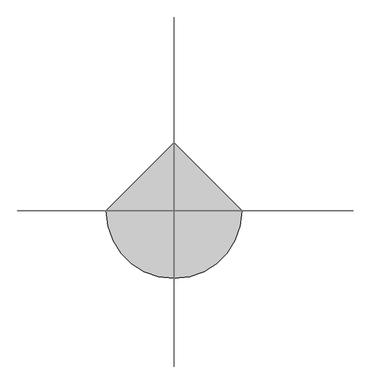
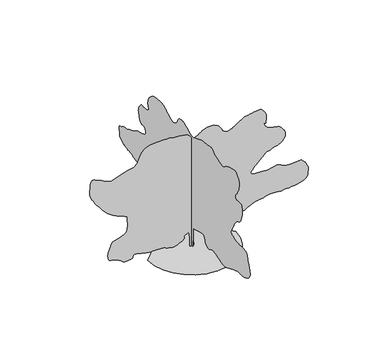
"""IFC4 building model written with IfcOpenShell, lengths in millimetres: geographic element geometry."""

from ifc_helpers import new_model, si_unit, origin, place, context, project, spatial, triangles, source, transform, mapped, element, save


def geographic_element_65e3464d(model_context):
    return source(origin(), model_context, "Body", "Tessellation", [
        triangles([(0.0321152, 48.5607305, 0.0034119), (0.0321152, -50.059231, 0.0034119), (0.0321152, -56.2224767, 326.6823853), (0.0321152, -56.2224767, 468.4473149), (0.0321152, -179.4974376, 505.4297959), (0.0321152, -382.8998477, 573.2297636), (0.0321152, -481.5198092, 585.5572815), (0.0321152, -493.3798047, 574.9372902), (0.0321152, -505.0798173, 563.9947895), (0.0321152, -516.4548134, 552.4022922), (0.0321152, -527.34481, 539.842303), (0.0321152, -537.5872808, 525.9872984), (0.0321152, -547.022279, 510.5148053), (0.0321152, -555.4847712, 493.1023144), (0.0321152, -561.4697619, 475.007307), (0.0321152, -564.8647945, 457.7723125), (0.0321152, -567.614772, 441.509824), (0.0321152, -571.6572578, 426.3248497), (0.0321152, -578.9372641, 412.3273393), (0.0321152, -591.3897743, 399.6223372), (0.0321152, -610.9597281, 388.3173586), (0.0321152, -633.9972754, 377.894848), (0.0321152, -655.6322193, 368.3348574), (0.0321152, -675.9747276, 360.4998705), (0.0321152, -695.1297358, 355.2548781), (0.0321152, -713.2071934, 353.4573498), (0.0321152, -730.3171955, 355.9723489), (0.0321152, -746.5597361, 363.6648663), (0.0321152, -762.949724, 373.6898357), (0.0321152, -780.3097109, 382.7473497), (0.0321152, -798.4772066, 390.9973549), (0.0321152, -817.2921919, 398.597327), (0.0321152, -836.5897058, 405.7148432), (0.0321152, -856.2146708, 412.5073428), (0.0321152, -875.999655, 419.1373524), (0.0321152, -993.1095852, 400.6448401), (0.0321152, -1024.8096125, 390.0973372), (0.0321152, -1056.5095671, 379.6573494), (0.0321152, -1088.2070509, 369.4323558), (0.0321152, -1119.9070782, 359.5298716), (0.0321152, -1151.6070328, 350.0598464), (0.0321152, -1183.3045166, 341.1298682), (0.0321152, -1215.0045439, 332.8448725), (0.0321152, -1247.7819763, 324.7573574), (0.0321152, -1282.4994793, 317.2098893), (0.0321152, -1318.8344707, 311.4973746), (0.0321152, -1356.4644413, 308.9098872), (0.0321152, -1395.0644108, 310.7423698), (0.0321152, -1434.3118698, 318.2898743), (0.0321152, -1473.8819836, 332.8448725), (0.0321152, -1769.7418316, 456.1198334), (0.0321152, -1791.6092468, 465.9673064), (0.0321152, -1811.1067486, 474.5198004), (0.0321152, -1830.3892925, 481.9973236), (0.0321152, -1851.6118343, 488.6098197), (0.0321152, -1876.9318005, 494.5747899), (0.0321152, -1908.5067627, 500.1098082), (0.0321152, -1948.4892059, 505.4297959), (0.0321152, -1993.2716469, 509.077284), (0.0321152, -2037.2967213, 510.4597941), (0.0321152, -2079.8141842, 511.0898066), (0.0321152, -2120.0666691, 512.4747874), (0.0321152, -2157.3016056, 516.1223119), (0.0321152, -2190.7616272, 523.5422805), (0.0321152, -2219.6916927, 536.2472826), (0.0321152, -2247.0266521, 550.8047879), (0.0321152, -2275.3291397, 563.6347824), (0.0321152, -2303.3066471, 576.0347886), (0.0321152, -2329.6691368, 589.2947714), (0.0321152, -2353.1216297, 604.7147604), (0.0321152, -2372.3665306, 623.5822861), (0.0321152, -2386.1140926, 647.1947256), (0.0321152, -2397.2190834, 669.6572353), (0.0321152, -2408.5415028, 686.5147093), (0.0321152, -2418.7840462, 701.2122133), (0.0321152, -2426.65406, 717.2072399), (0.0321152, -2430.8590359, 737.9447096), (0.0321152, -2430.1039948, 766.8771732), (0.0321152, -2423.0965736, 807.4521675), (0.0321152, -2412.5116093, 849.5371714), (0.0321152, -2401.8190933, 882.9996637), (0.0321152, -2390.9116196, 911.2846378), (0.0321152, -2379.6816364, 937.8421011), (0.0321152, -2368.0191216, 966.1271479), (0.0321152, -2355.8165234, 999.5896402), (0.0321152, -2342.9690517, 1041.6745714), (0.0321152, -2331.7716248, 1086.8520464), (0.0321152, -2322.0866055, 1126.8520758), (0.0321152, -2310.1366081, 1161.0320389), (0.0321152, -2292.1490433, 1188.7420481), (0.0321152, -2264.3491413, 1209.3345411), (0.0321152, -2222.9641674, 1222.1644993), (0.0321152, -2164.2192066, 1226.5870491), (0.0321152, -2098.4666794, 1226.6770145), (0.0321152, -2038.2142525, 1227.3044472), (0.0321152, -1982.9192265, 1229.0120464), (0.0321152, -1932.0467503, 1232.3369888), (0.0321152, -1885.0542698, 1237.8170322), (0.0321152, -1841.4043179, 1245.9944401), (0.0321152, -1800.5592819, 1257.4044994), (0.0321152, -1760.9542866, 1269.0495735), (0.0321152, -1722.9643089, 1278.862056), (0.0321152, -1688.9643494, 1288.7794739), (0.0321152, -1661.3267921, 1300.7495281), (0.0321152, -1642.4218414, 1316.7069843), (0.0321152, -1634.6243523, 1338.5944565), (0.0321152, -1640.3019127, 1368.3519424), (0.0321152, -1650.8868771, 1395.324424), (0.0321152, -1657.8043327, 1411.2994663), (0.0321152, -1663.4292801, 1421.8844307), (0.0321152, -1670.131778, 1432.6844982), (0.0321152, -1680.2843559, 1449.3068848), (0.0321152, -1696.261869, 1477.3593876), (0.0321152, -1720.43176, 1522.4468971), (0.0321152, -1744.7792564, 1570.2993542), (0.0321152, -1762.0142509, 1605.6469059), (0.0321152, -1775.5817368, 1632.5843605), (0.0321152, -1788.931794, 1655.2092876), (0.0321152, -1805.5192989, 1677.6167862), (0.0321152, -1828.7892448, 1703.9068966), (0.0321152, -1862.1967987, 1738.1767525), (0.0321152, -1899.9867886, 1769.4617615), (0.0321152, -1934.3291691, 1788.456823), (0.0321152, -1965.5417988, 1801.7368263), (0.0321152, -1993.9516926, 1815.879277), (0.0321152, -2019.8842667, 1837.4618259), (0.0321152, -2043.659269, 1873.0592171), (0.0321152, -2065.5992088, 1929.2517174), (0.0321152, -2083.3542297, 1999.8741508), (0.0321152, -2094.4241936, 2071.5741348), (0.0321152, -2098.9166519, 2140.1491642), (0.0321152, -2096.9391563, 2201.391647), (0.0321152, -2088.6017292, 2251.0966072), (0.0321152, -2074.0091606, 2285.0590691), (0.0321152, -2053.2717636, 2299.0765274), (0.0321152, -2028.7792179, 2300.9990845), (0.0321152, -2002.9916931, 2301.6291332), (0.0321152, -1976.1267632, 2301.1791607), (0.0321152, -1948.3992405, 2299.8665955), (0.0321152, -1920.0242283, 2297.9091568), (0.0321152, -1891.2193005, 2295.5190411), (0.0321152, -1862.1967987, 2292.9116421), (0.0321152, -1846.526825, 2300.944146), (0.0321152, -1831.9342564, 2309.6241394), (0.0321152, -1819.4992596, 2319.5991119), (0.0321152, -1810.2992397, 2331.5116116), (0.0321152, -1805.4117474, 2346.0140694), (0.0321152, -1805.914333, 2363.7490334), (0.0321152, -1812.8867271, 2385.36908), (0.0321152, -1823.1843544, 2405.1366234), (0.0321152, -1833.371814, 2418.9715347), (0.0321152, -1844.1018276, 2430.006617), (0.0321152, -1856.0143272, 2441.3640633), (0.0321152, -1869.7617439, 2456.1715897), (0.0321152, -1885.9892418, 2477.5540054), (0.0321152, -1905.3416943, 2508.6489098), (0.0321152, -1927.1592579, 2549.7490173), (0.0321152, -1948.5442898, 2597.4240143), (0.0321152, -1966.7992802, 2649.1990517), (0.0321152, -1979.2367477, 2702.5739914), (0.0321152, -1983.1542412, 2755.098983), (0.0321152, -1975.8567215, 2804.2988869), (0.0321152, -1954.6517658, 2847.6488571), (0.0321152, -1927.4992081, 2886.8737885), (0.0321152, -1902.7193253, 2923.7238647), (0.0321152, -1878.1542549, 2955.8489388), (0.0321152, -1851.649332, 2980.8488663), (0.0321152, -1821.0442234, 2996.3487923), (0.0321152, -1784.1893509, 2999.9988602), (0.0321152, -1738.9217651, 2989.4239243), (0.0321152, -1692.8293751, 2973.9487061), (0.0321152, -1653.2043228, 2962.998793), (0.0321152, -1617.4618824, 2954.3237411), (0.0321152, -1583.0144211, 2945.6489799), (0.0321152, -1547.2718353, 2934.6987762), (0.0321152, -1507.6469284, 2919.2238487), (0.0321152, -1461.554393, 2896.9487549), (0.0321152, -1417.7968895, 2870.823896), (0.0321152, -1383.95942, 2846.4239319), (0.0321152, -1355.6194347, 2825.4737572), (0.0321152, -1328.3594707, 2809.698848), (0.0321152, -1297.7569782, 2800.8238083), (0.0321152, -1259.3920235, 2800.5738235), (0.0321152, -1208.8420567, 2810.6737885), (0.0321152, -1151.1220333, 2827.7739075), (0.0321152, -1095.7745396, 2846.3989334), (0.0321152, -1045.1695616, 2864.9989609), (0.0321152, -1001.6820997, 2882.1237877), (0.0321152, -967.6821402, 2896.1988007), (0.0321152, -945.5421398, 2905.7737976), (0.0321152, -937.6370991, 2909.2738747), (0.0321152, -933.2696331, 2914.6738358), (0.0321152, -920.8171228, 2928.2738777), (0.0321152, -901.2471691, 2946.1489494), (0.0321152, -875.532169, 2964.4987015), (0.0321152, -844.642194, 2979.3739563), (0.0321152, -809.5471704, 2986.9237862), (0.0321152, -771.2146992, 2983.2487198), (0.0321152, -721.277195, 2972.4237991), (0.0321152, -656.2422112, 2961.4738861), (0.0321152, -584.4172711, 2951.0739395), (0.0321152, -514.0997972, 2941.8489212), (0.0321152, -453.5948058, 2934.47379), (0.0321152, -411.2023353, 2929.5487999), (0.0321152, -395.2273293, 2927.7739082), (0.0321152, -389.2073479, 2924.6238098), (0.0321152, -372.7298653, 2916.1987427), (0.0321152, -348.1648676, 2903.9989059), (0.0321152, -317.8848845, 2889.5489159), (0.0321152, -284.2623909, 2874.3239731), (0.0321152, -249.6706434, 2859.8489845), (0.0321152, -216.4799186, 2847.6488571), (0.0321152, -182.6961704, 2835.2237434), (0.0321152, -145.4621967, 2820.7737534), (0.0321152, -105.8562113, 2806.7240295), (0.0321152, -64.9562232, 2795.5988365), (0.0321152, -23.8407913, 2789.8738953), (0.0321152, 16.4121432, 2792.023764), (0.0321152, 54.7242306, 2804.4988747), (0.0321152, 95.0672168, 2825.5987495), (0.0321152, 140.477699, 2850.2489891), (0.0321152, 188.4756686, 2875.9988708), (0.0321152, 236.5816531, 2900.3238396), (0.0321152, 282.3148899, 2920.7737541), (0.0321152, 323.1973872, 2934.8487671), (0.0321152, 356.7473742, 2940.0987373), (0.0321152, 387.7448645, 2939.8987495), (0.0321152, 421.3323492, 2938.5238335), (0.0321152, 455.5648164, 2934.7737717), (0.0321152, 488.5048116, 2927.4489281), (0.0321152, 518.2072864, 2915.3987915), (0.0321152, 542.7372934, 2897.3987274), (0.0321152, 560.1497844, 2872.298806), (0.0321152, 571.7222611, 2845.0240173), (0.0321152, 581.032267, 2820.8740379), (0.0321152, 589.584761, 2799.1989075), (0.0321152, 598.8947668, 2779.3739548), (0.0321152, 610.4672436, 2760.6989319), (0.0321152, 625.8122372, 2742.5988739), (0.0321152, 646.4422279, 2724.3738235), (0.0321152, 671.2597538, 2707.0990059), (0.0321152, 697.802247, 2692.6490158), (0.0321152, 725.529697, 2681.5238228), (0.0321152, 753.9047092, 2674.2739746), (0.0321152, 782.3872004, 2671.4488564), (0.0321152, 810.4371597, 2673.5990158), (0.0321152, 837.5196636, 2681.2238411), (0.0321152, 865.1921751, 2693.0489914), (0.0321152, 895.1296646, 2707.1490028), (0.0321152, 926.9546116, 2723.1238998), (0.0321152, 960.2896408, 2740.598996), (0.0321152, 994.7570864, 2759.2240219), (0.0321152, 1029.9771023, 2778.5990021), (0.0321152, 1065.5771095, 2798.3489594), (0.0321152, 1088.2370636, 2814.0738716), (0.0321152, 1112.1370583, 2829.173822), (0.0321152, 1138.5170614, 2842.9738518), (0.0321152, 1168.617041, 2854.848999), (0.0321152, 1203.6770376, 2864.0990158), (0.0321152, 1244.9369465, 2870.1489372), (0.0321152, 1293.6345554, 2872.298806), (0.0321152, 1349.6844772, 2871.0988792), (0.0321152, 1409.9369041, 2867.1988266), (0.0321152, 1471.0519238, 2860.1739647), (0.0321152, 1529.689333, 2849.5987381), (0.0321152, 1582.5044231, 2835.0237556), (0.0321152, 1626.1519043, 2816.0237526), (0.0321152, 1657.2943348, 2792.1740456), (0.0321152, 1679.9917866, 2768.8240173), (0.0321152, 1700.7467697, 2750.1989914), (0.0321152, 1719.8842644, 2734.2738007), (0.0321152, 1737.7292507, 2718.9988609), (0.0321152, 1754.6017673, 2702.3240067), (0.0321152, 1770.8292652, 2682.1990723), (0.0321152, 1786.7342537, 2656.5738922), (0.0321152, 1800.3918503, 2627.8738998), (0.0321152, 1809.9517319, 2599.8238678), (0.0321152, 1815.8442501, 2572.2990944), (0.0321152, 1818.5042622, 2545.2240028), (0.0321152, 1818.361829, 2518.4738914), (0.0321152, 1815.8442501, 2491.9316162), (0.0321152, 1811.3892895, 2465.4966019), (0.0321152, 1804.2368191, 2441.5614349), (0.0321152, 1794.9292477, 2421.9366154), (0.0321152, 1785.8343086, 2405.6565044), (0.0321152, 1779.3293278, 2391.7465977), (0.0321152, 1777.7843639, 2379.241547), (0.0321152, 1783.5718014, 2367.1640865), (0.0321152, 1799.0618443, 2354.5490135), (0.0321152, 1819.889352, 2343.1016018), (0.0321152, 1840.3917343, 2334.6740639), (0.0321152, 1861.0042843, 2328.5116493), (0.0321152, 1882.1543015, 2323.8565556), (0.0321152, 1904.2767883, 2319.9566483), (0.0321152, 1927.7991898, 2316.0565956), (0.0321152, 1953.1541828, 2311.404118), (0.0321152, 1979.1941631, 2310.0565258), (0.0321152, 2004.4767769, 2314.2065632), (0.0321152, 2029.006675, 2320.2990692), (0.0321152, 2052.7816772, 2324.7740868), (0.0321152, 2075.7991676, 2324.0716587), (0.0321152, 2098.064233, 2314.6390949), (0.0321152, 2119.5741119, 2292.9116421), (0.0321152, 2140.2241596, 2265.2015602), (0.0321152, 2159.4692059, 2239.5416439), (0.0321152, 2176.6667027, 2214.9591328), (0.0321152, 2191.1691605, 2190.4841732), (0.0321152, 2202.326619, 2165.1441502), (0.0321152, 2209.4966755, 2137.9741516), (0.0321152, 2212.0316952, 2107.9992371), (0.0321152, 2208.9766491, 2074.5041885), (0.0321152, 2200.421648, 2037.7741631), (0.0321152, 2187.286694, 1998.3467731), (0.0321152, 2170.4840858, 1956.7642822), (0.0321152, 2150.9316456, 1913.5643028), (0.0321152, 2129.5492298, 1869.2867729), (0.0321152, 2107.2466667, 1824.469305), (0.0321152, 2067.8742153, 1829.4092651), (0.0321152, 2030.0117008, 1832.3042919), (0.0321152, 1995.1692055, 1831.0992783), (0.0321152, 1964.8517246, 1823.7492908), (0.0321152, 1940.5742821, 1808.2067802), (0.0321152, 1923.8441986, 1782.4192554), (0.0321152, 1916.1717018, 1744.3393124), (0.0321152, 1917.9141827, 1705.0943241), (0.0321152, 1927.8518028, 1675.6593475), (0.0321152, 1945.1216789, 1653.7718754), (0.0321152, 1968.8591835, 1637.1669296), (0.0321152, 1998.2041946, 1623.5818577), (0.0321152, 2032.294265, 1610.7493561), (0.0321152, 2070.2641857, 1596.4093884), (0.0321152, 2106.9241573, 1584.1719086), (0.0321152, 2139.3791531, 1577.001852), (0.0321152, 2170.2141895, 1571.6668579), (0.0321152, 2202.0216957, 1564.9268623), (0.0321152, 2237.3866882, 1553.5518299), (0.0321152, 2278.8966545, 1534.306929), (0.0321152, 2329.1415527, 1503.9544212), (0.0321152, 2383.0891319, 1471.1769161), (0.0321152, 2433.9089951, 1445.5169998), (0.0321152, 2481.4915558, 1425.0294422), (0.0321152, 2525.7240303, 1407.7794777), (0.0321152, 2566.5238655, 1391.8220215), (0.0321152, 2603.7489189, 1375.2169304), (0.0321152, 2637.3239044, 1356.0244972), (0.0321152, 2670.0739403, 1339.9419033), (0.0321152, 2704.5488708, 1331.5145107), (0.0321152, 2740.1990204, 1327.0745201), (0.0321152, 2776.4988396, 1322.9595097), (0.0321152, 2812.8989433, 1315.5019707), (0.0321152, 2848.8737823, 1301.0370106), (0.0321152, 2883.8739716, 1275.8969753), (0.0321152, 2917.2239708, 1253.1644966), (0.0321152, 2947.6738564, 1243.4770065), (0.0321152, 2973.7987152, 1239.5070454), (0.0321152, 2994.223922, 1233.9169796), (0.0321152, 3007.5236916, 1219.3794949), (0.0321152, 3012.2986908, 1188.5620445), (0.0321152, 3007.1487144, 1134.1295385), (0.0321152, 3000.7738129, 1075.6195925), (0.0321152, 2999.8988663, 1034.3596109), (0.0321152, 3000.198848, 1005.7171005), (0.0321152, 2997.3737297, 985.049612), (0.0321152, 2987.123774, 967.7271229), (0.0321152, 2965.0989555, 949.1096546), (0.0321152, 2927.023954, 924.5646412), (0.0321152, 2887.2487656, 900.7171143), (0.0321152, 2859.3240166, 885.4971857), (0.0321152, 2837.74888, 876.2071278), (0.0321152, 2817.0489807, 870.1496487), (0.0321152, 2791.6987839, 864.6321802), (0.0321152, 2756.2489128, 856.9596834), (0.0321152, 2705.1238358, 844.4346485), (0.0321152, 2648.9490669, 832.3046476), (0.0321152, 2600.4991173, 825.8897049), (0.0321152, 2557.7991074, 822.6021875), (0.0321152, 2518.7488747, 819.85221), (0.0321152, 2481.3116249, 815.0546831), (0.0321152, 2443.4491104, 805.6196486), (0.0321152, 2403.1065147, 788.9621624), (0.0321152, 2353.7965885, 769.6621777), (0.0321152, 2293.9216095, 753.8122004), (0.0321152, 2228.7616333, 741.0897211), (0.0321152, 2163.6016571, 731.1696871), (0.0321152, 2103.7266781, 723.7297342), (0.0321152, 2054.4167519, 718.4472078), (0.0321152, 2020.9567303, 714.9972004), (0.0321152, 1997.8292175, 712.9122259), (0.0321152, 1975.5642975, 711.1496881), (0.0321152, 1953.5141899, 708.5272465), (0.0321152, 1931.0343121, 703.8547119), (0.0321152, 1907.4742676, 695.9472004), (0.0321152, 1882.1917992, 683.6197552), (0.0321152, 1854.5343304, 665.6872742), (0.0321152, 1828.8017441, 646.4947683), (0.0321152, 1807.9217686, 629.8897499), (0.0321152, 1789.194278, 613.9322937), (0.0321152, 1769.9317909, 596.6822565), (0.0321152, 1747.4318562, 576.1947716), (0.0321152, 1719.0043762, 550.5347826), (0.0321152, 1681.9493706, 517.7573138), (0.0321152, 1650.1068375, 485.9673211), (0.0321152, 1634.0068027, 462.6973025), (0.0321152, 1625.991885, 445.139835), (0.0321152, 1618.4068829, 430.494835), (0.0321152, 1603.6018272, 415.9573503), (0.0321152, 1573.9143951, 398.7223557), (0.0321152, 1521.691856, 375.9923478), (0.0321152, 1461.9594555, 353.7623457), (0.0321152, 1412.9019848, 338.5423808), (0.0321152, 1371.6069763, 328.2798532), (0.0321152, 1335.1644333, 320.9298657), (0.0321152, 1300.6620335, 314.4448691), (0.0321152, 1265.1894894, 306.7698652), (0.0321152, 1225.8344788, 295.8623915), (0.0321152, 1191.2045431, 285.4223855), (0.0321152, 1167.682069, 279.5098831), (0.0321152, 1149.0120604, 276.6173997), (0.0321152, 1128.939521, 275.2324007), (0.0321152, 1101.212071, 273.8498906), (0.0321152, 1059.5745689, 270.9573891), (0.0321152, 997.7746347, 265.0449048), (0.0321152, 934.502116, 258.197394), (0.0321152, 888.5896568, 253.2924063), (0.0321152, 853.9971462, 250.0024), (0.0321152, 824.687162, 248.0084084), (0.0321152, 794.6246801, 246.9841613), (0.0321152, 757.7671915, 246.6066589), (0.0321152, 708.0797447, 246.5526469), (0.0321152, 660.1722765, 246.9301493), (0.0321152, 628.2222645, 248.0621478), (0.0321152, 605.5422535, 249.9494054), (0.0321152, 585.4522734, 252.5899056), (0.0321152, 561.2647963, 255.9873908), (0.0321152, 526.2948014, 260.1373919), (0.0321152, 473.8573045, 265.0449048), (0.0321152, 415.5448391, 270.9923979), (0.0321152, 366.6123608, 277.9098899), (0.0321152, 325.8748764, 285.2598955), (0.0321152, 292.1448858, 292.5023858), (0.0321152, 264.237396, 299.0973866), (0.0321152, 240.9664145, 304.5073761), (0.0321152, 221.1454041, 308.189873), (0.0321152, 201.9351668, 312.0898893), (0.0321152, 181.431422, 318.2523766), (0.0321152, 159.8491819, 326.3048647), (0.0321152, 137.4046944, 335.8648553), (0.0321152, 114.3129534, 346.5573712), (0.0321152, 90.7902159, 358.0023485), (0.0321152, 67.0517257, 369.8273535), (0.0321152, 30.0694877, 314.3548674), (45.1947341, 0.000153, 0.0), (-47.2612322, 0.000153, 0.0), (-47.2612322, 0.0001391, 228.0581544), (-65.7527225, 0.0001298, 369.8248464), (-189.0271793, 0.0001344, 302.0223897), (-184.0854206, 0.0001344, 286.1373855), (-181.1921742, 0.0001391, 270.0348982), (-182.3961705, 0.0001391, 253.5048934), (-189.7459218, 0.0001391, 236.3244013), (-205.2901764, 0.0001391, 218.2824067), (-231.0771562, 0.0001391, 199.1621711), (-269.154901, 0.0001437, 178.7481737), (-307.0898675, 0.0001437, 161.1374391), (-333.3798689, 0.0001437, 149.5646898), (-351.4773471, 0.0001437, 142.5206975), (-364.827368, 0.0001437, 138.4951983), (-376.8873513, 0.0001437, 135.9796996), (-391.0998559, 0.0001437, 133.4637013), (-410.9223378, 0.0001437, 129.4384473), (-433.0423176, 0.0001437, 125.9342008), (-452.7923112, 0.0001437, 125.5566984), (-471.5697988, 0.0001437, 127.6594498), (-490.7798181, 0.0001437, 131.594702), (-511.8222836, 0.0001437, 136.716446), (-536.102306, 0.0001437, 142.3769472), (-565.0147854, 0.0001437, 147.9294426), (-591.0347815, 0.0001437, 153.8776896), (-608.6472602, 0.0001437, 160.7961808), (-622.2672501, 0.0001437, 168.1461864), (-636.3197353, 0.0001437, 175.3879319), (-655.2247587, 0.0001437, 181.9829327), (-683.4022539, 0.0001437, 187.391923), (-725.2722273, 0.0001437, 191.0756734), (-766.9621971, 0.0001437, 193.3399248), (-795.3922205, 0.0001437, 194.8491713), (-816.1646444, 0.0001437, 195.6044304), (-834.8896643, 0.0001437, 195.6039217), (-857.1721704, 0.0001437, 194.8494256), (-888.6196695, 0.0001437, 193.3399248), (-934.8396681, 0.0001437, 191.0756734), (-986.0895922, 0.0001437, 190.8779202), (-1030.1170647, 0.0001437, 194.7774279), (-1068.7520611, 0.0001391, 201.588422), (-1103.8295712, 0.0001391, 210.1239112), (-1137.1820412, 0.0001391, 219.1989205), (-1170.6420628, 0.0001391, 227.6269126), (-1206.044553, 0.0001391, 234.2219134), (-1242.1820274, 0.0001391, 241.0504028), (-1276.2694817, 0.0001391, 249.6041503), (-1307.7719193, 0.0001391, 257.8348979), (-1336.1469315, 0.0001391, 263.6923892), (-1360.854435, 0.0001391, 265.1298923), (-1381.3594334, 0.0001391, 260.0998941), (-1397.1195179, 0.0001391, 246.5491588), (-1406.1569023, 0.0001391, 228.8306545), (-1409.8044994, 0.0001391, 212.7294208), (-1412.4819523, 0.0001391, 198.3536812), (-1418.6094852, 0.0001437, 185.8104243), (-1432.6095028, 0.0001437, 175.208437), (-1458.8994678, 0.0001437, 166.6544352), (-1501.9019302, 0.0001437, 160.2571876), (-1547.4019146, 0.0001437, 155.854186), (-1580.6119514, 0.0001437, 153.71569), (-1605.086911, 0.0001437, 154.5966864), (-1624.3868958, 0.0001437, 159.2506901), (-1642.069392, 0.0001437, 168.4334327), (-1661.6918861, 0.0001437, 182.8994283), (-1686.8143353, 0.0001391, 203.4031732), (-1714.2017624, 0.0001391, 224.6974039), (-1739.1067829, 0.0001391, 241.6791617), (-1762.8268467, 0.0001391, 255.3198988), (-1786.6567875, 0.0001391, 266.5848907), (-1811.8867882, 0.0001344, 276.4523844), (-1839.8118279, 0.0001344, 285.8848937), (-1871.7267403, 0.0001344, 295.8598844), (-1904.1442383, 0.0001344, 304.2498882), (-1932.574189, 0.0001344, 310.1623907), (-1956.796693, 0.0001344, 316.3998734), (-1976.5992634, 0.0001344, 325.7623833), (-1991.7666515, 0.0001344, 341.0548728), (-2002.0817196, 0.0001298, 365.0798598), (-2007.3292191, 0.0001298, 400.642333), (-2009.4667339, 0.0001252, 439.4223424), (-2010.0967827, 0.0001252, 472.3798147), (-2008.4617081, 0.0001252, 501.2397901), (-2003.8067596, 0.0001205, 527.7273085), (-1995.3792217, 0.0001205, 553.5672647), (-1982.4217278, 0.0001205, 580.4872785), (-1964.1817074, 0.0001159, 610.2097738), (-1949.5917549, 0.0001159, 639.8072405), (-1944.056773, 0.0001113, 665.84475), (-1941.5391941, 0.0001113, 689.2946995), (-1936.0042122, 0.0001113, 711.1297039), (-1921.4142597, 0.0001113, 732.3172188), (-1891.7268276, 0.0001066, 753.8271704), (-1840.9068192, 0.0001066, 776.6297029), (-1777.9392963, 0.0001066, 797.8696856), (-1717.5618771, 0.0001066, 815.9847136), (-1662.3568165, 0.000102, 833.8821676), (-1614.9168343, 0.000102, 854.4771315), (-1577.826947, 0.000102, 880.6771311), (-1553.6743515, 9.74e-05, 915.3946341), (-1545.0494419, 9.74e-05, 961.542108), (-1543.4319534, 9.27e-05, 1005.7846109), (-1539.6568932, 9.27e-05, 1036.2270842), (-1535.3443657, 8.81e-05, 1057.9345528), (-1532.1093887, 8.81e-05, 1075.9745853), (-1531.5719215, 8.81e-05, 1095.4195467), (-1535.3443657, 8.81e-05, 1121.3320639), (-1545.0494419, 8.34e-05, 1158.7820309), (-1552.0394222, 8.34e-05, 1197.3995138), (-1550.4043476, 7.88e-05, 1225.4520893), (-1545.8569508, 7.88e-05, 1245.9544716), (-1544.1143246, 7.88e-05, 1261.9295139), (-1550.8893471, 7.88e-05, 1276.3969448), (-1571.894315, 7.42e-05, 1292.3719872), (-1612.8493732, 7.42e-05, 1312.8745148), (-1663.2194092, 7.42e-05, 1334.9595039), (-1709.3843239, 7.42e-05, 1354.4570057), (-1752.4218132, 6.95e-05, 1372.5544476), (-1793.4117531, 6.95e-05, 1390.4344608), (-1833.4318394, 6.95e-05, 1409.284473), (-1873.5593319, 6.95e-05, 1430.2919117), (-1914.8717812, 6.49e-05, 1454.6418789), (-1954.7667297, 6.49e-05, 1480.589423), (-1990.9941696, 6.49e-05, 1506.7543957), (-2025.1742054, 6.03e-05, 1534.8593662), (-2058.9217094, 6.03e-05, 1566.6293747), (-2093.8541702, 5.56e-05, 1603.7919319), (-2131.5916924, 5.56e-05, 1648.0717873), (-2173.7491482, 5.1e-05, 1701.1893299), (-2212.079076, 5.1e-05, 1748.4168251), (-2239.6291386, 4.64e-05, 1778.604372), (-2259.95159, 4.64e-05, 1798.8768265), (-2276.6091488, 4.64e-05, 1816.3417488), (-2293.159156, 4.17e-05, 1838.1218147), (-2313.1615688, 4.17e-05, 1871.3317062), (-2340.1690773, 3.71e-05, 1923.0842159), (-2369.5866131, 3.71e-05, 1974.4617485), (-2394.369112, 3.25e-05, 2008.0467625), (-2414.404081, 3.25e-05, 2033.2241501), (-2429.5890553, 3.25e-05, 2059.3692112), (-2439.8141579, 2.78e-05, 2095.8666927), (-2444.9714012, 2.32e-05, 2152.09422), (-2444.9539604, 1.85e-05, 2237.4340691), (-2440.4065636, 1.39e-05, 2329.0466457), (-2431.9790257, 9.3e-06, 2398.9865627), (-2419.561615, 9.3e-06, 2448.9790054), (-2403.0464893, 4.6e-06, 2480.7491592), (-2382.3290039, 4.6e-06, 2496.024099), (-2357.2965202, 4.6e-06, 2496.5263939), (-2327.8441029, 4.6e-06, 2483.9841362), (-2296.1790298, 4.6e-06, 2467.2014397), (-2264.7316761, 4.6e-06, 2453.111602), (-2233.7165634, 9.3e-06, 2440.641433), (-2203.3466148, 9.3e-06, 2428.7090218), (-2173.8391136, 9.3e-06, 2416.2365273), (-2145.4116337, 9.3e-06, 2402.149015), (-2118.2766621, 9.3e-06, 2385.3639931), (-2092.0391647, 1.39e-05, 2368.6715527), (-2066.1266476, 1.39e-05, 2355.2116184), (-2040.4841721, 1.39e-05, 2344.4465778), (-2015.0566544, 1.39e-05, 2335.839109), (-1989.789156, 1.39e-05, 2328.8491287), (-1964.6316799, 1.39e-05, 2322.9365536), (-1939.5292877, 1.39e-05, 2317.5640617), (-1655.9944141, 9.3e-06, 2416.1840595), (-1606.9367981, 9.3e-06, 2430.3440964), (-1556.3693905, 9.3e-06, 2441.9166458), (-1506.5568787, 4.6e-06, 2452.0866646), (-1459.7619152, 4.6e-06, 2462.0439056), (-1418.2519489, 4.6e-06, 2472.9691109), (-1384.2894871, 4.6e-06, 2486.0514519), (-1360.1370369, 4.6e-06, 2502.473996), (-1342.0595066, 4.6e-06, 2521.7239838), (-1324.9519753, 0.0, 2542.47388), (-1309.029546, 0.0, 2564.7489738), (-1294.509502, 0.0, 2588.5239761), (-1281.6069466, -4.6e-06, 2613.7988869), (-1270.5394535, -4.6e-06, 2640.5989952), (-1261.5170391, -4.6e-06, 2668.899012), (-1252.17197, -9.3e-06, 2697.4990105), (-1240.346965, -9.3e-06, 2724.7737991), (-1226.5819622, -9.3e-06, 2750.2489883), (-1211.4170448, -1.39e-05, 2773.3490318), (-1195.387064, -1.39e-05, 2793.5239632), (-1179.0345011, -1.39e-05, 2810.2488144), (-1162.8970413, -1.39e-05, 2822.9989082), (-1145.3595217, -1.39e-05, 2835.8739944), (-1123.7220343, -1.85e-05, 2852.0988762), (-1096.9120428, -1.85e-05, 2869.7239632), (-1063.8470552, -1.85e-05, 2886.8237915), (-1023.4495937, -1.85e-05, 2901.4237724), (-974.6421078, -1.85e-05, 2911.6237312), (-916.3471195, -1.85e-05, 2915.4487885), (-850.4696726, -1.85e-05, 2916.7489998), (-781.7871643, -2.32e-05, 2919.7488167), (-713.5371878, -2.32e-05, 2923.1988968), (-648.9522491, -2.32e-05, 2925.7987381), (-591.2697598, -2.32e-05, 2926.2237122), (-543.7197916, -2.32e-05, 2923.1988968), (-509.5422993, -1.85e-05, 2915.4487885), (-481.004797, -1.85e-05, 2906.6237457), (-448.8023294, -1.85e-05, 2900.6988167), (-413.797344, -1.85e-05, 2896.848761), (-376.8498536, -1.85e-05, 2894.1739243), (-338.824849, -1.85e-05, 2891.823777), (-300.5848866, -1.85e-05, 2888.923954), (-262.9923956, -1.85e-05, 2884.6239258), (-225.8116528, -1.85e-05, 2879.5489449), (-188.9551815, -1.85e-05, 2874.2739761), (-153.5001872, -1.85e-05, 2867.79879), (-120.5252014, -1.85e-05, 2859.173735), (-91.1082107, -1.85e-05, 2847.4238708), (-66.327474, -1.39e-05, 2831.5739662), (-47.2612322, -1.39e-05, 2810.6737885), (-31.5194878, -1.39e-05, 2787.7240265), (-16.4247435, -1.39e-05, 2766.8488472), (-2.6237239, -9.3e-06, 2748.5488014), (9.2364712, -9.3e-06, 2733.3988541), (18.5090174, -9.3e-06, 2721.8989746), (24.5469415, -9.3e-06, 2714.5988388), (26.7032393, -9.3e-06, 2712.0489944), (32.9569863, -9.3e-06, 2714.1738647), (49.5612327, -9.3e-06, 2720.0987938), (73.2819732, -9.3e-06, 2729.0238304), (100.8839584, -9.3e-06, 2740.2240189), (129.1329518, -9.3e-06, 2752.9238251), (154.7941853, -1.39e-05, 2766.3738762), (174.6331814, -1.39e-05, 2779.8489258), (195.6221801, -1.39e-05, 2795.3488518), (224.805664, -1.39e-05, 2814.0988701), (259.0574069, -1.39e-05, 2834.0238167), (295.2473854, -1.85e-05, 2853.0988152), (330.2548779, -1.85e-05, 2869.2489922), (360.9473722, -1.85e-05, 2880.4488899), (384.199841, -1.85e-05, 2884.6239258), (532.1298014, -1.85e-05, 2878.4740105), (558.4372799, -1.85e-05, 2865.2489456), (584.099776, -1.85e-05, 2851.8988884), (608.4672566, -1.39e-05, 2838.3488434), (630.8922323, -1.39e-05, 2824.4738182), (650.7322277, -1.39e-05, 2810.173819), (667.3372461, -1.39e-05, 2795.3238533), (680.0597254, -1.39e-05, 2779.8489258), (690.2672419, -1.39e-05, 2763.8240318), (699.8271961, -9.3e-06, 2747.473867), (708.8472124, -9.3e-06, 2730.8490097), (717.4372404, -9.3e-06, 2713.9988754), (725.7022156, -9.3e-06, 2696.999041), (733.7547037, -4.6e-06, 2679.898922), (741.6972422, -4.6e-06, 2662.7240982), (758.8571686, -4.6e-06, 2650.9239464), (775.9646999, -4.6e-06, 2639.5990562), (792.9646797, -4.6e-06, 2629.2491066), (809.8021694, -4.6e-06, 2620.3490685), (826.4247013, -4.6e-06, 2613.3989113), (842.7771915, -4.6e-06, 2608.8738968), (858.8071724, 0.0, 2607.248996), (876.1296616, -4.6e-06, 2608.7739029), (896.2571394, -4.6e-06, 2613.2989174), (918.9721046, -4.6e-06, 2620.8490379), (944.0571287, -4.6e-06, 2631.3989754), (971.2996519, -4.6e-06, 2644.9990173), (1000.4846437, -4.6e-06, 2661.5988762), (1031.3920595, -4.6e-06, 2681.2238411), (1066.8120632, -9.3e-06, 2705.2988251), (1107.9445816, -9.3e-06, 2733.4738495), (1152.2045254, -1.39e-05, 2763.0487885), (1197.0045525, -1.39e-05, 2791.3488052), (1239.7545593, -1.39e-05, 2815.6487755), (1277.8695293, -1.39e-05, 2833.248864), (1308.7595043, -1.85e-05, 2841.4739433), (1336.0744068, -1.85e-05, 2844.673748), (1365.0069431, -1.85e-05, 2848.8237854), (1395.2869263, -1.85e-05, 2853.773774), (1426.6444599, -1.85e-05, 2859.3740135), (1458.8093571, -1.85e-05, 2865.4739319), (1491.5144829, -1.85e-05, 2871.8738319), (1524.4918304, -1.85e-05, 2878.4740105), (1554.751902, -1.85e-05, 2882.298777), (1584.3143417, -1.85e-05, 2885.2988846), (1612.4719254, -1.85e-05, 2886.7237976), (1638.5293465, -1.85e-05, 2885.6988602), (1661.7818516, -1.85e-05, 2881.4238304), (1681.5318089, -1.85e-05, 2873.1237556), (1697.0743195, -1.85e-05, 2859.9739769), (1712.241853, -1.85e-05, 2841.9739128), (1730.1042801, -1.39e-05, 2820.0737961), (1748.8292999, -1.39e-05, 2794.9488762), (1766.5843208, -1.39e-05, 2767.2488228), (1781.5342804, -9.3e-06, 2737.5988884), (1791.8493484, -9.3e-06, 2706.6490334), (1795.6943172, -4.6e-06, 2675.0489273), (1795.1568501, -4.6e-06, 2644.7990295), (1793.6467678, -4.6e-06, 2617.1239746), (1791.3268513, 0.0, 2591.5990791), (1788.3617706, 0.0, 2567.8240768), (1784.9118359, 0.0, 2545.3239967), (1781.1392464, 4.6e-06, 2523.6738647), (1777.2043121, 4.6e-06, 2502.473996), (1764.1943504, 4.6e-06, 2507.4989799), (1752.3693455, 4.6e-06, 2511.0240555), (1742.9168701, 4.6e-06, 2511.524025), (1737.0218811, 4.6e-06, 2507.4989799), (1735.871806, 4.6e-06, 2497.4440704), (1740.6517467, 4.6e-06, 2479.8340988), (1752.5492764, 4.6e-06, 2453.1665405), (1769.3142414, 9.3e-06, 2424.4140804), (1787.0518215, 9.3e-06, 2401.2691269), (1804.4642761, 9.3e-06, 2383.2990028), (1820.2592422, 1.39e-05, 2370.0716125), (1833.1442116, 1.39e-05, 2361.1590752), (1841.824205, 1.39e-05, 2356.1265335), (1845.0042435, 1.39e-05, 2354.5465427), (1974.4441624, 1.39e-05, 2323.7266216), (2073.0641602, 1.39e-05, 2305.2366165), (2122.3742317, 1.85e-05, 2280.5815807), (2149.9216782, 1.85e-05, 2248.9715916), (2176.3366356, 2.32e-05, 2217.9016857), (2200.4890858, 2.32e-05, 2187.909185), (2221.2440689, 2.32e-05, 2159.5341728), (2237.4715668, 2.78e-05, 2133.3167324), (2248.0366196, 2.78e-05, 2109.7941856), (2251.8116798, 2.78e-05, 2089.5066158), (2251.524052, 2.78e-05, 2068.1942539), (2249.5116749, 3.25e-05, 2042.0291359), (2244.0490723, 3.25e-05, 2012.1992706), (2233.4116402, 3.71e-05, 1979.8891788), (2215.8715771, 3.71e-05, 1946.2842533), (2189.7066044, 3.71e-05, 1912.5717762), (2153.1916821, 4.17e-05, 1879.9393204), (2114.681678, 4.17e-05, 1854.7792282), (2082.1016899, 4.17e-05, 1840.1892757), (2053.0791882, 4.17e-05, 1832.3893158), (2025.2442593, 4.64e-05, 1827.6092297), (1996.2217575, 4.64e-05, 1822.0742477), (1963.6442402, 4.64e-05, 1812.0117805), (1925.1342361, 4.64e-05, 1793.6467678), (1889.0317886, 4.64e-05, 1776.5918495), (1862.7418236, 4.64e-05, 1769.6742485), (1842.4892807, 4.64e-05, 1767.9317677), (1824.5017159, 4.64e-05, 1766.4042446), (1805.0043594, 4.64e-05, 1760.1318077), (1780.2218605, 5.1e-05, 1744.1567654), (1746.3842457, 5.1e-05, 1713.5167751), (1481.3444641, 6.49e-05, 1460.8044388), (1461.8819893, 6.95e-05, 1433.2019085), (1444.5244732, 6.95e-05, 1406.4095032), (1431.3694622, 6.95e-05, 1381.234441), (1424.5243858, 7.42e-05, 1358.4819054), (1426.0869358, 7.42e-05, 1338.9669628), (1438.1619255, 7.42e-05, 1323.4945061), (1462.854459, 7.42e-05, 1312.8745148), (1495.0193562, 7.42e-05, 1306.9819965), (1528.4793777, 7.42e-05, 1304.2144329), (1563.7743164, 7.42e-05, 1303.1720547), (1601.4393139, 7.42e-05, 1302.4520405), (1642.0143082, 7.42e-05, 1300.6544758), (1686.0418533, 7.42e-05, 1296.379446), (1734.0568005, 7.42e-05, 1288.219479), (1788.6518692, 7.42e-05, 1285.9745579), (1850.0367851, 7.42e-05, 1295.9120327), (1915.1967613, 7.42e-05, 1311.3469917), (1981.1091625, 7.42e-05, 1325.596994), (2044.7592018, 7.42e-05, 1331.9769825), (2103.1267147, 7.42e-05, 1323.8020454), (2153.1916821, 7.42e-05, 1294.3845097), (2211.5940765, 7.88e-05, 1263.4945347), (2290.5915802, 7.88e-05, 1251.039481), (2380.5840523, 7.88e-05, 1250.5544815), (2471.979055, 7.88e-05, 1255.569437), (2555.1739769, 7.88e-05, 1259.6120682), (2620.5990532, 7.88e-05, 1256.2144558), (2658.6240578, 7.88e-05, 1238.9095528), (2678.2990196, 7.88e-05, 1215.9270166), (2695.2738556, 8.34e-05, 1198.4420374), (2709.8738365, 8.34e-05, 1184.4070656), (2722.448941, 8.34e-05, 1171.7745518), (2733.2738617, 8.34e-05, 1158.4945484), (2742.7238663, 8.34e-05, 1142.5195787), (2751.073938, 8.81e-05, 1121.7995499), (2759.9239792, 8.81e-05, 1100.8995901), (2769.8739532, 8.81e-05, 1083.6670664), (2779.6989349, 8.81e-05, 1066.9720825), (2788.223996, 9.27e-05, 1047.6896112), (2794.2989159, 9.27e-05, 1022.6946253), (2796.6737709, 9.27e-05, 988.8570831), (2794.2239204, 9.74e-05, 943.0521029), (2791.0988205, 0.000102, 894.8196545), (2788.9739502, 0.000102, 854.5671696), (2782.7490395, 0.000102, 820.4596584), (2767.3238182, 0.0001066, 790.6646748), (2737.6988823, 0.0001066, 763.3496996), (2688.7739616, 0.0001113, 736.682214), (2615.4740753, 0.0001113, 708.8296989), (2533.8991127, 0.0001113, 685.0372559), (2461.6840439, 0.0001113, 670.1947025), (2396.1640606, 0.0001159, 661.9272566), (2334.6365662, 0.0001159, 657.8672573), (2274.3991093, 0.0001159, 655.6372335), (2212.7615925, 0.0001159, 652.8697426), (2147.0266514, 0.0001159, 647.1922548), (2085.8042255, 0.0001159, 644.2622738), (2036.1167061, 0.0001159, 648.6647667), (1992.8966698, 0.0001159, 656.4097155), (1951.0817802, 0.0001113, 663.5097181), (1905.5992367, 0.0001113, 665.9697424), (1851.3842319, 0.0001159, 659.8072552), (1783.366872, 0.0001159, 641.0272242), (1715.8542778, 0.0001159, 620.4522446), (1663.6517956, 0.0001159, 609.257252), (1622.4444271, 0.0001159, 603.9922754), (1587.9244411, 0.0001159, 601.207271), (1555.7768394, 0.0001159, 597.4497605), (1521.6869144, 0.0001159, 589.2747508), (1481.3444641, 0.0001205, 573.2272928), (1443.3569572, 0.0001205, 555.5272831), (1416.689399, 0.0001205, 543.3247939), (1397.5670197, 0.0001205, 534.5747829), (1382.2220261, 0.0001205, 527.2247955), (1366.8744164, 0.0001205, 519.2272822), (1347.7545078, 0.0001205, 508.5348026), (1321.0869495, 0.0001252, 493.0998073), (1295.0670261, 0.0001252, 477.717316), (1277.4570545, 0.0001252, 467.4023206), (1263.8344849, 0.0001252, 460.4298174), (1249.7819996, 0.0001252, 455.074839), (1230.8770489, 0.0001252, 449.6123091), (1202.6995537, 0.0001252, 442.3148257), (1160.8295803, 0.0001252, 431.4623268), (895.7896534, 0.0001298, 382.1523643), (840.1546772, 0.0001298, 368.7823591), (796.3796602, 0.0001298, 359.7248451), (758.9647202, 0.0001298, 354.0098597), (722.4146982, 0.0001344, 350.6673675), (681.2272413, 0.0001344, 348.7273696), (629.9047199, 0.0001344, 347.21736), (562.947288, 0.0001344, 345.1698469), (488.7672956, 0.0001344, 343.2448554), (420.0873307, 0.0001344, 342.6173501), (357.874849, 0.0001344, 343.067359), (303.0998857, 0.0001344, 344.3773808), (256.7373995, 0.0001344, 346.3373629), (219.7556634, 0.0001344, 348.7273696), (193.1239314, 0.0001344, 351.3323705), (172.5304391, 0.0001298, 355.5923575), (152.907182, 0.0001298, 362.7623414), (134.092451, 0.0001298, 372.3573589), (115.924701, 0.0001298, 383.8948451), (98.2422138, 0.0001298, 396.8873297), (80.8829718, 0.0001298, 410.8498495), (63.6857248, 0.0001298, 425.2973325), (39.0307344, 0.0001252, 505.424818), (26.7032393, 0.0001344, 289.69489), (-1057.7445934, 0.0, 0.0031152), (-1029.7795853, -242.364912, 0.0031152), (-950.1421497, -464.9373184, 0.0031152), (-825.2021742, -661.344734, 0.0031152), (-661.344734, -825.204645, 0.0031152), (-464.9373184, -950.1421497, 0.0031152), (-242.364912, -1029.7795853, 0.0031152), (4.62e-05, -1057.7445934, 0.0031152), (242.3651482, -1029.7795853, 0.0031152), (464.9373184, -950.1421497, 0.0031152), (661.344734, -825.2021742, 0.0031152), (825.204645, -661.344734, 0.0031152), (950.1421497, -464.9373184, 0.0031152), (1029.7795853, -242.364912, 0.0031152), (1057.7445934, 9.27e-05, 0.0031152), (-0.0001387, 1057.7445934, 0.0031152)], [[451, 1, 2], [451, 2, 3], [451, 3, 4], [450, 451, 4], [316, 317, 318], [316, 318, 319], [315, 316, 319], [356, 357, 358], [355, 356, 358], [354, 355, 358], [354, 358, 359], [353, 354, 359], [353, 359, 360], [133, 134, 135], [133, 135, 136], [132, 133, 136], [132, 136, 137], [132, 137, 138], [131, 132, 138], [131, 138, 139], [131, 139, 140], [130, 131, 140], [130, 140, 141], [130, 141, 142], [129, 130, 142], [128, 129, 142], [127, 128, 142], [126, 127, 142], [125, 126, 142], [124, 125, 142], [123, 124, 142], [122, 123, 142], [122, 142, 143], [121, 122, 143], [121, 143, 144], [121, 144, 145], [120, 121, 145], [119, 120, 145], [119, 145, 146], [118, 119, 146], [315, 319, 320], [314, 315, 320], [313, 314, 320], [312, 313, 320], [311, 312, 320], [310, 311, 320], [309, 310, 320], [308, 309, 320], [307, 308, 320], [306, 307, 320], [305, 306, 320], [304, 305, 320], [304, 320, 321], [303, 304, 321], [302, 303, 321], [301, 302, 321], [300, 301, 321], [299, 300, 321], [298, 299, 321], [297, 298, 321], [296, 297, 321], [295, 296, 321], [294, 295, 321], [293, 294, 321], [292, 293, 321], [292, 321, 322], [291, 292, 322], [290, 291, 322], [289, 290, 322], [289, 322, 323], [288, 289, 323], [352, 353, 360], [352, 360, 361], [117, 118, 146], [351, 352, 361], [350, 351, 361], [349, 350, 361], [348, 349, 361], [347, 348, 361], [347, 361, 362], [347, 362, 363], [347, 363, 364], [347, 364, 365], [347, 365, 366], [347, 366, 367], [347, 367, 368], [347, 368, 369], [347, 369, 370], [347, 370, 371], [347, 371, 372], [347, 372, 373], [347, 373, 374], [346, 347, 374], [346, 374, 375], [346, 375, 376], [345, 346, 376], [345, 376, 377], [344, 345, 377], [343, 344, 377], [343, 377, 378], [342, 343, 378], [341, 342, 378], [341, 378, 379], [340, 341, 379], [340, 379, 380], [340, 380, 381], [339, 340, 381], [339, 381, 382], [339, 382, 383], [338, 339, 383], [338, 383, 384], [337, 338, 384], [337, 384, 385], [336, 337, 385], [335, 336, 385], [334, 335, 385], [333, 334, 385], [333, 385, 386], [332, 333, 386], [332, 386, 387], [332, 387, 388], [331, 332, 388], [331, 388, 389], [331, 389, 390], [330, 331, 390], [329, 330, 390], [329, 390, 391], [328, 329, 391], [328, 391, 392], [328, 392, 393], [327, 328, 393], [327, 393, 394], [327, 394, 395], [327, 395, 396], [326, 327, 396], [326, 396, 397], [326, 397, 398], [326, 398, 399], [326, 399, 400], [326, 400, 401], [326, 401, 402], [325, 326, 402], [288, 323, 324], [116, 117, 146], [116, 146, 147], [115, 116, 147], [114, 115, 147], [113, 114, 147], [112, 113, 147], [111, 112, 147], [110, 111, 147], [325, 402, 403], [204, 205, 206], [167, 168, 169], [167, 169, 170], [166, 167, 170], [165, 166, 170], [165, 170, 171], [164, 165, 171], [164, 171, 172], [163, 164, 172], [162, 163, 172], [161, 162, 172], [160, 161, 172], [159, 160, 172], [158, 159, 172], [158, 172, 173], [157, 158, 173], [157, 173, 174], [156, 157, 174], [156, 174, 175], [155, 156, 175], [155, 175, 176], [154, 155, 176], [153, 154, 176], [152, 153, 176], [152, 176, 177], [151, 152, 177], [151, 177, 178], [151, 178, 179], [150, 151, 179], [150, 179, 180], [149, 150, 180], [149, 180, 181], [148, 149, 181], [148, 181, 182], [147, 148, 182], [110, 147, 182], [110, 182, 183], [110, 183, 184], [110, 184, 185], [110, 185, 186], [109, 110, 186], [109, 186, 187], [108, 109, 187], [108, 187, 188], [107, 108, 188], [107, 188, 189], [107, 189, 190], [107, 190, 191], [106, 107, 191], [89, 90, 91], [89, 91, 92], [88, 89, 92], [88, 92, 93], [87, 88, 93], [87, 93, 94], [86, 87, 94], [86, 94, 95], [85, 86, 95], [84, 85, 95], [84, 95, 96], [83, 84, 96], [83, 96, 97], [82, 83, 97], [81, 82, 97], [80, 81, 97], [79, 80, 97], [78, 79, 97], [77, 78, 97], [76, 77, 97], [75, 76, 97], [74, 75, 97], [73, 74, 97], [72, 73, 97], [71, 72, 97], [70, 71, 97], [69, 70, 97], [68, 69, 97], [67, 68, 97], [66, 67, 97], [65, 66, 97], [64, 65, 97], [63, 64, 97], [62, 63, 97], [61, 62, 97], [60, 61, 97], [59, 60, 97], [58, 59, 97], [57, 58, 97], [57, 97, 98], [56, 57, 98], [56, 98, 99], [55, 56, 99], [55, 99, 100], [54, 55, 100], [54, 100, 101], [53, 54, 101], [53, 101, 102], [52, 53, 102], [51, 52, 102], [50, 51, 102], [50, 102, 103], [50, 103, 104], [50, 104, 105], [49, 50, 105], [48, 49, 105], [47, 48, 105], [46, 47, 105], [45, 46, 105], [44, 45, 105], [43, 44, 105], [42, 43, 105], [41, 42, 105], [40, 41, 105], [39, 40, 105], [38, 39, 105], [37, 38, 105], [36, 37, 105], [35, 36, 105], [35, 105, 106], [35, 106, 191], [34, 35, 191], [33, 34, 191], [32, 33, 191], [31, 32, 191], [30, 31, 191], [29, 30, 191], [28, 29, 191], [27, 28, 191], [26, 27, 191], [25, 26, 191], [24, 25, 191], [23, 24, 191], [22, 23, 191], [21, 22, 191], [20, 21, 191], [19, 20, 191], [18, 19, 191], [17, 18, 191], [16, 17, 191], [15, 16, 191], [14, 15, 191], [13, 14, 191], [12, 13, 191], [11, 12, 191], [10, 11, 191], [9, 10, 191], [8, 9, 191], [7, 8, 191], [6, 7, 191], [5, 6, 191], [5, 191, 192], [5, 192, 193], [5, 193, 194], [5, 194, 195], [5, 195, 196], [5, 196, 197], [5, 197, 198], [5, 198, 199], [5, 199, 200], [5, 200, 201], [5, 201, 202], [5, 202, 203], [5, 203, 204], [5, 204, 206], [5, 206, 207], [5, 207, 208], [5, 208, 209], [5, 209, 210], [5, 210, 211], [5, 211, 212], [5, 212, 213], [5, 213, 214], [5, 214, 215], [5, 215, 216], [5, 216, 217], [5, 217, 218], [4, 5, 218], [4, 218, 219], [4, 219, 220], [4, 220, 221], [4, 221, 222], [4, 222, 223], [4, 223, 224], [4, 224, 225], [4, 225, 226], [4, 226, 227], [4, 227, 228], [4, 228, 229], [4, 229, 230], [4, 230, 231], [4, 231, 232], [4, 232, 233], [4, 233, 234], [4, 234, 235], [4, 235, 236], [4, 236, 237], [4, 237, 238], [4, 238, 239], [4, 239, 240], [4, 240, 241], [4, 241, 242], [4, 242, 243], [4, 243, 244], [4, 244, 245], [450, 4, 245], [449, 450, 245], [448, 449, 245], [447, 448, 245], [446, 447, 245], [445, 446, 245], [444, 445, 245], [443, 444, 245], [442, 443, 245], [441, 442, 245], [440, 441, 245], [439, 440, 245], [438, 439, 245], [437, 438, 245], [436, 437, 245], [435, 436, 245], [434, 435, 245], [433, 434, 245], [432, 433, 245], [431, 432, 245], [430, 431, 245], [429, 430, 245], [428, 429, 245], [427, 428, 245], [426, 427, 245], [425, 426, 245], [424, 425, 245], [423, 424, 245], [422, 423, 245], [422, 245, 246], [421, 422, 246], [420, 421, 246], [419, 420, 246], [418, 419, 246], [417, 418, 246], [416, 417, 246], [415, 416, 246], [414, 415, 246], [413, 414, 246], [412, 413, 246], [411, 412, 246], [410, 411, 246], [409, 410, 246], [408, 409, 246], [407, 408, 246], [406, 407, 246], [405, 406, 246], [404, 405, 246], [403, 404, 246], [325, 403, 246], [324, 325, 246], [288, 324, 246], [288, 246, 247], [288, 247, 248], [288, 248, 249], [287, 288, 249], [287, 249, 250], [287, 250, 251], [287, 251, 252], [287, 252, 253], [287, 253, 254], [287, 254, 255], [287, 255, 256], [287, 256, 257], [287, 257, 258], [287, 258, 259], [287, 259, 260], [287, 260, 261], [287, 261, 262], [287, 262, 263], [286, 287, 263], [286, 263, 264], [286, 264, 265], [286, 265, 266], [286, 266, 267], [286, 267, 268], [286, 268, 269], [286, 269, 270], [285, 286, 270], [285, 270, 271], [285, 271, 272], [285, 272, 273], [285, 273, 274], [285, 274, 275], [285, 275, 276], [285, 276, 277], [285, 277, 278], [285, 278, 279], [285, 279, 280], [285, 280, 281], [285, 281, 282], [284, 285, 282], [284, 282, 283], [751, 752, 753], [906, 452, 453], [906, 453, 454], [906, 454, 455], [905, 906, 455], [751, 753, 754], [750, 751, 754], [750, 754, 755], [749, 750, 755], [600, 601, 602], [599, 600, 602], [599, 602, 603], [598, 599, 603], [598, 603, 604], [597, 598, 604], [597, 604, 605], [597, 605, 606], [596, 597, 606], [596, 606, 607], [596, 607, 608], [596, 608, 609], [595, 596, 609], [595, 609, 610], [595, 610, 611], [594, 595, 611], [593, 594, 611], [592, 593, 611], [591, 592, 611], [591, 611, 612], [590, 591, 612], [590, 612, 613], [589, 590, 613], [589, 613, 614], [589, 614, 615], [588, 589, 615], [588, 615, 616], [587, 588, 616], [586, 587, 616], [585, 586, 616], [584, 585, 616], [584, 616, 617], [583, 584, 617], [582, 583, 617], [581, 582, 617], [580, 581, 617], [580, 617, 618], [579, 580, 618], [578, 579, 618], [577, 578, 618], [576, 577, 618], [575, 576, 618], [574, 575, 618], [573, 574, 618], [572, 573, 618], [571, 572, 618], [570, 571, 618], [570, 618, 619], [569, 570, 619], [569, 619, 620], [569, 620, 621], [568, 569, 621], [568, 621, 622], [567, 568, 622], [567, 622, 623], [567, 623, 624], [566, 567, 624], [566, 624, 625], [566, 625, 626], [565, 566, 626], [903, 904, 905], [748, 749, 755], [565, 626, 627], [902, 903, 905], [508, 509, 510], [508, 510, 511], [507, 508, 511], [507, 511, 512], [506, 507, 512], [506, 512, 513], [505, 506, 513], [505, 513, 514], [505, 514, 515], [505, 515, 516], [505, 516, 517], [505, 517, 518], [505, 518, 519], [505, 519, 520], [505, 520, 521], [504, 505, 521], [504, 521, 522], [504, 522, 523], [747, 748, 755], [747, 755, 756], [565, 627, 628], [901, 902, 905], [900, 901, 905], [899, 900, 905], [898, 899, 905], [897, 898, 905], [896, 897, 905], [895, 896, 905], [894, 895, 905], [893, 894, 905], [892, 893, 905], [825, 826, 827], [824, 825, 827], [824, 827, 828], [823, 824, 828], [823, 828, 829], [823, 829, 830], [823, 830, 831], [823, 831, 832], [823, 832, 833], [823, 833, 834], [823, 834, 835], [822, 823, 835], [822, 835, 836], [822, 836, 837], [822, 837, 838], [822, 838, 839], [822, 839, 840], [822, 840, 841], [822, 841, 842], [822, 842, 843], [822, 843, 844], [822, 844, 845], [822, 845, 846], [822, 846, 847], [822, 847, 848], [822, 848, 849], [822, 849, 850], [821, 822, 850], [821, 850, 851], [821, 851, 852], [821, 852, 853], [820, 821, 853], [820, 853, 854], [820, 854, 855], [820, 855, 856], [820, 856, 857], [819, 820, 857], [819, 857, 858], [818, 819, 858], [817, 818, 858], [816, 817, 858], [815, 816, 858], [814, 815, 858], [814, 858, 859], [813, 814, 859], [813, 859, 860], [812, 813, 860], [812, 860, 861], [812, 861, 862], [811, 812, 862], [810, 811, 862], [810, 862, 863], [809, 810, 863], [809, 863, 864], [808, 809, 864], [808, 864, 865], [807, 808, 865], [807, 865, 866], [806, 807, 866], [806, 866, 867], [805, 806, 867], [805, 867, 868], [805, 868, 869], [804, 805, 869], [804, 869, 870], [804, 870, 871], [804, 871, 872], [804, 872, 873], [804, 873, 874], [804, 874, 875], [804, 875, 876], [804, 876, 877], [804, 877, 878], [804, 878, 879], [804, 879, 880], [804, 880, 881], [804, 881, 882], [804, 882, 883], [803, 804, 883], [803, 883, 884], [803, 884, 885], [803, 885, 886], [803, 886, 887], [803, 887, 888], [803, 888, 889], [803, 889, 890], [803, 890, 891], [802, 803, 891], [802, 891, 892], [802, 892, 905], [801, 802, 905], [800, 801, 905], [799, 800, 905], [688, 689, 690], [746, 747, 756], [905, 455, 456], [768, 769, 770], [767, 768, 770], [767, 770, 771], [767, 771, 772], [767, 772, 773], [767, 773, 774], [767, 774, 775], [767, 775, 776], [767, 776, 777], [767, 777, 778], [767, 778, 779], [767, 779, 780], [767, 780, 781], [767, 781, 782], [767, 782, 783], [767, 783, 784], [767, 784, 785], [767, 785, 786], [767, 786, 787], [767, 787, 788], [767, 788, 789], [766, 767, 789], [766, 789, 790], [766, 790, 791], [766, 791, 792], [766, 792, 793], [766, 793, 794], [766, 794, 795], [765, 766, 795], [764, 765, 795], [763, 764, 795], [763, 795, 796], [762, 763, 796], [761, 762, 796], [761, 796, 797], [761, 797, 798], [760, 761, 798], [759, 760, 798], [758, 759, 798], [757, 758, 798], [745, 746, 756], [744, 745, 756], [743, 744, 756], [742, 743, 756], [741, 742, 756], [740, 741, 756], [739, 740, 756], [738, 739, 756], [737, 738, 756], [736, 737, 756], [735, 736, 756], [734, 735, 756], [733, 734, 756], [732, 733, 756], [731, 732, 756], [730, 731, 756], [729, 730, 756], [728, 729, 756], [727, 728, 756], [726, 727, 756], [726, 756, 757], [726, 757, 798], [725, 726, 798], [724, 725, 798], [723, 724, 798], [722, 723, 798], [721, 722, 798], [720, 721, 798], [719, 720, 798], [718, 719, 798], [717, 718, 798], [716, 717, 798], [715, 716, 798], [714, 715, 798], [713, 714, 798], [712, 713, 798], [711, 712, 798], [710, 711, 798], [710, 798, 799], [710, 799, 905], [709, 710, 905], [708, 709, 905], [707, 708, 905], [706, 707, 905], [705, 706, 905], [704, 705, 905], [703, 704, 905], [702, 703, 905], [701, 702, 905], [700, 701, 905], [699, 700, 905], [698, 699, 905], [697, 698, 905], [696, 697, 905], [695, 696, 905], [694, 695, 905], [693, 694, 905], [692, 693, 905], [691, 692, 905], [690, 691, 905], [688, 690, 905], [687, 688, 905], [686, 687, 905], [685, 686, 905], [684, 685, 905], [683, 684, 905], [682, 683, 905], [681, 682, 905], [680, 681, 905], [679, 680, 905], [678, 679, 905], [677, 678, 905], [676, 677, 905], [675, 676, 905], [674, 675, 905], [674, 905, 456], [673, 674, 456], [672, 673, 456], [671, 672, 456], [670, 671, 456], [669, 670, 456], [668, 669, 456], [667, 668, 456], [666, 667, 456], [665, 666, 456], [664, 665, 456], [663, 664, 456], [662, 663, 456], [661, 662, 456], [660, 661, 456], [659, 660, 456], [658, 659, 456], [657, 658, 456], [656, 657, 456], [655, 656, 456], [654, 655, 456], [653, 654, 456], [652, 653, 456], [651, 652, 456], [650, 651, 456], [649, 650, 456], [648, 649, 456], [647, 648, 456], [646, 647, 456], [645, 646, 456], [644, 645, 456], [643, 644, 456], [642, 643, 456], [641, 642, 456], [640, 641, 456], [639, 640, 456], [638, 639, 456], [637, 638, 456], [636, 637, 456], [635, 636, 456], [634, 635, 456], [633, 634, 456], [632, 633, 456], [631, 632, 456], [630, 631, 456], [629, 630, 456], [628, 629, 456], [565, 628, 456], [564, 565, 456], [563, 564, 456], [562, 563, 456], [561, 562, 456], [560, 561, 456], [559, 560, 456], [558, 559, 456], [557, 558, 456], [556, 557, 456], [555, 556, 456], [554, 555, 456], [553, 554, 456], [552, 553, 456], [551, 552, 456], [551, 456, 457], [551, 457, 458], [551, 458, 459], [551, 459, 460], [551, 460, 461], [551, 461, 462], [551, 462, 463], [551, 463, 464], [551, 464, 465], [551, 465, 466], [551, 466, 467], [551, 467, 468], [551, 468, 469], [551, 469, 470], [551, 470, 471], [551, 471, 472], [551, 472, 473], [551, 473, 474], [551, 474, 475], [551, 475, 476], [551, 476, 477], [551, 477, 478], [551, 478, 479], [551, 479, 480], [551, 480, 481], [551, 481, 482], [551, 482, 483], [551, 483, 484], [551, 484, 485], [551, 485, 486], [551, 486, 487], [551, 487, 488], [551, 488, 489], [551, 489, 490], [551, 490, 491], [551, 491, 492], [551, 492, 493], [551, 493, 494], [551, 494, 495], [551, 495, 496], [551, 496, 497], [551, 497, 498], [551, 498, 499], [551, 499, 500], [551, 500, 501], [551, 501, 502], [551, 502, 503], [551, 503, 504], [551, 504, 523], [550, 551, 523], [549, 550, 523], [548, 549, 523], [548, 523, 524], [547, 548, 524], [547, 524, 525], [546, 547, 525], [545, 546, 525], [544, 545, 525], [543, 544, 525], [542, 543, 525], [541, 542, 525], [540, 541, 525], [540, 525, 526], [539, 540, 526], [538, 539, 526], [537, 538, 526], [536, 537, 526], [535, 536, 526], [534, 535, 526], [534, 526, 527], [533, 534, 527], [533, 527, 528], [532, 533, 528], [532, 528, 529], [531, 532, 529], [531, 529, 530], [921, 922, 907], [920, 921, 907], [920, 907, 908], [919, 920, 908], [919, 908, 909], [919, 909, 910], [918, 919, 910], [917, 918, 910], [917, 910, 911], [917, 911, 912], [917, 912, 913], [917, 913, 914], [917, 914, 915], [917, 915, 916]], closed=False),
    ])


if __name__ == "__main__":
    model = new_model("IFC4")
    model_context = context("Model", 3, world=origin())
    ifc_project = project(units=[si_unit("LENGTHUNIT", "METRE", prefix="MILLI")], contexts=[model_context])
    site = spatial("IfcSite", under=ifc_project)
    building = spatial("IfcBuilding", under=site)
    placement = place(None, origin())
    geographic_element_shape = geographic_element_65e3464d(model_context)
    element("IfcGeographicElement", 1, at=placement, inside=building, context=model_context, shape_type="MappedRepresentation", body=[
        mapped(geographic_element_shape, transform((0.0, 0.0, 0.0), x_axis=(1.0, 0.0, 0.0), y_axis=(0.0, 1.0, 0.0), z_axis=(0.0, 0.0, 1.0))),
    ])
    save(model, "model.ifc")
